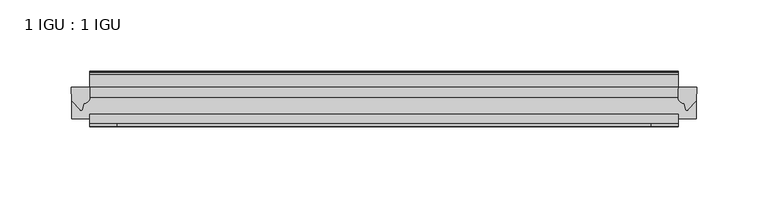
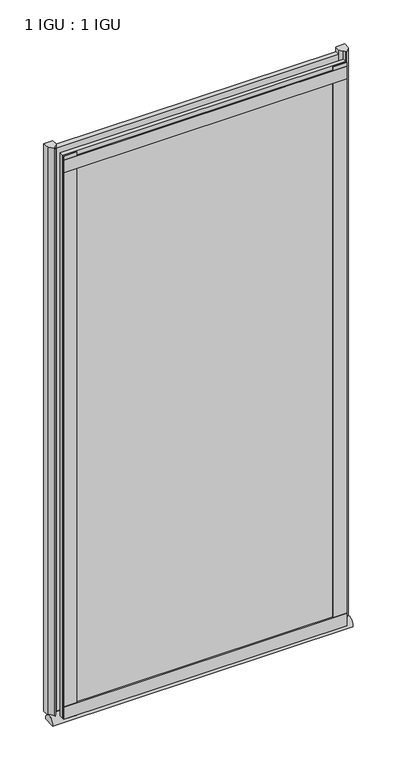
"""IFC4 building model written with IfcOpenShell, lengths in millimetres: plate geometry, 1 IGU : 1 IGU."""

from ifc_helpers import new_model, si_unit, point, frame, frame_2d, origin, place, context, project, spatial, polyline, circle_curve, ellipse_curve, trimmed, segment, composite_curve, outline, extrude, source, transform, mapped, element, save
from ifc_brep_helpers import plane_surface, extruded_surface, advanced_brep


def plate_1_igu_1_igu_62e715ea(model_context):
    return source(origin(), model_context, "Body", "SolidModel", [
        extrude(outline(polyline([(105.7513125, -11.6085937), (105.7513125, -18.8576359), (-307.959125, -18.8576359), (-307.959125, -11.6085937), (105.7513125, -11.6085937)])), frame((0.0, 0.0, -19.05), z_axis=(0.0, 0.0, 1.0), x_axis=(1.0, 0.0, 0.0)), (0.0, 0.0, 1.0), 869.9409101),
        extrude(outline(polyline([(-307.959125, -30.7093937), (105.7513125, -30.7093937), (105.7513125, -37.0085937), (-307.959125, -37.0085937), (-307.959125, -30.7093937)])), frame((0.0, 0.0, -19.05), z_axis=(0.0, 0.0, 1.0), x_axis=(1.0, 0.0, 0.0)), (0.0, 0.0, 1.0), 869.9409101),
        advanced_brep(
        [(118.4513125, -33.6472189, -28.575), (118.4513125, -14.9699686, -28.575), (-320.659125, -33.6472189, -28.575), (-320.659125, -14.9699686, -28.575)],
        [
            (0, 1),
            (1, 0, ellipse_curve(frame((118.4513125, -24.3085937, -28.575), z_axis=(1.0, 0.0, 0.0), x_axis=(0.0, 0.0, 1.0)), 10.6973372, 9.3386252)),
            (2, 3, ellipse_curve(frame((-320.659125, -24.3085937, -28.575), z_axis=(-1.0, 0.0, 0.0), x_axis=(0.0, 0.0, 1.0)), 10.6973372, 9.3386252)),
            (3, 2),
            (0, 2),
            (3, 1),
        ],
        [
            plane_surface(frame((118.4513125, -9.2273438, -28.575), z_axis=(1.0, 0.0, 0.0), x_axis=(0.0, 1.0, 0.0))),
            plane_surface(frame((-320.659125, -9.2273437, -28.575), z_axis=(-1.0, 0.0, 0.0), x_axis=(0.0, 1.0, 0.0))),
            plane_surface(frame((118.4513125, -33.6472189, -28.575), z_axis=(0.0, 0.0, -1.0), x_axis=(-1.0, 0.0, 0.0))),
            extruded_surface(trimmed(ellipse_curve(frame((-320.659125, -24.3085937, -28.575), z_axis=(1.0, 0.0, 0.0), x_axis=(0.0, 0.0, 1.0)), 10.6973372, 9.3386252), [point((-320.659125, -14.9699686, -28.575))], [point((-320.659125, -33.6472189, -28.575))], True, "CARTESIAN"), (439.1104375, 0.0, 0.0), 439.1104375),
        ],
        [
            (0, [[1, 2]]),
            (1, [[3, 4]]),
            (2, [[-1, 5, -4, 6]]),
            (3, [[-2, -6, -3, -5]]),
        ],
    ),
        extrude(outline(composite_curve([segment(polyline([(118.8292216, -11.6101465), (118.4513125, -21.3502133), (112.5132592, -27.6095865)]), True, "CONTINUOUS"), segment(trimmed(circle_curve(frame_2d((111.8404532, -27.2518492)), 0.762), [point((112.5132592, -27.6095865))], [point((111.1117489, -27.4746364))], False, "CARTESIAN"), True, "CONTINUOUS"), segment(polyline([(111.1117489, -27.4746364), (109.8499144, -23.3488397)]), True, "CONTINUOUS"), segment(trimmed(circle_curve(frame_2d((112.0318715, -16.3834724)), 7.2991286), [point((109.8499144, -23.3488397))], [point((105.7514911, -20.1028944))], False, "CARTESIAN"), True, "CONTINUOUS"), segment(polyline([(105.7514911, -20.1028944), (105.7514911, -12.664425)]), True, "CONTINUOUS"), segment(trimmed(circle_curve(frame_2d((112.0327456, -16.3827796)), 7.2993369), [point((105.7514911, -12.664425))], [point((106.5098575, -11.6101465))], False, "CARTESIAN"), True, "CONTINUOUS"), segment(polyline([(106.5098575, -11.6101465), (118.8292216, -11.6101465)]), True, "CONTINUOUS")], self_intersect=False)), frame((0.0, 0.0, -19.05), z_axis=(0.0, 0.0, 1.0), x_axis=(1.0, 0.0, 0.0)), (0.0, 0.0, 1.0), 877.0783101),
        extrude(outline(composite_curve([segment(polyline([(-307.959125, -11.610702), (-307.959125, -20.1014769)]), True, "CONTINUOUS"), segment(trimmed(circle_curve(frame_2d((-314.2403193, -16.3829847)), 7.2993552), [point((-307.959125, -20.1014769))], [point((-312.0580748, -23.3484994))], False, "CARTESIAN"), True, "CONTINUOUS"), segment(polyline([(-312.0580748, -23.3484994), (-313.3195614, -27.4746364)]), True, "CONTINUOUS"), segment(trimmed(circle_curve(frame_2d((-314.0482657, -27.2518492)), 0.762), [point((-313.3195614, -27.4746364))], [point((-314.7210717, -27.6095865))], False, "CARTESIAN"), True, "CONTINUOUS"), segment(polyline([(-314.7210717, -27.6095865), (-320.659125, -21.3502133), (-321.0370341, -11.610702), (-307.959125, -11.610702)]), True, "CONTINUOUS")], self_intersect=False)), frame((0.0, 0.0, -19.05), z_axis=(0.0, 0.0, 1.0), x_axis=(1.0, 0.0, 0.0)), (0.0, 0.0, 1.0), 877.0783101),
        extrude(outline(polyline([(-307.959125, -39.2945937), (-307.959125, -37.0085937), (105.7513125, -37.0085937), (105.7513125, -39.2945937), (-307.959125, -39.2945937)])), frame((0.0, 0.0, -19.05), z_axis=(0.0, 0.0, 1.0), x_axis=(1.0, 0.0, 0.0)), (0.0, 0.0, 1.0), 19.05),
        extrude(outline(composite_curve([segment(polyline([(-3.0995937, 840.8103314), (-3.0995937, 838.7783314), (-5.2585937, 838.7783314), (-5.2585937, 833.4443314), (-1.5755937, 833.4443314), (-1.5755937, 830.3963314), (-5.2585937, 830.3963314), (-5.2585937, 825.5703314), (-0.5298657, 826.2349108), (-0.4061408, 825.3545625)]), True, "CONTINUOUS"), segment(trimmed(circle_curve(frame_2d((-1.4122531, 825.2131626)), 1.016), [point((-0.4061408, 825.3545625))], [point((-1.2708533, 824.2070502))], False, "CARTESIAN"), True, "CONTINUOUS"), segment(polyline([(-1.2708533, 824.2070502), (-11.6085937, 822.7541756), (-11.6085937, 840.8103314), (-3.0995937, 840.8103314)]), True, "CONTINUOUS")], self_intersect=False)), frame((-307.959125, 0.0, 0.0), z_axis=(1.0, 0.0, 0.0), x_axis=(0.0, 1.0, 0.0)), (0.0, 0.0, 1.0), 413.7104375),
        extrude(outline(polyline([(-307.959125, -39.2945937), (-307.959125, -37.0085937), (105.7513125, -37.0085937), (105.7513125, -39.2945937), (-307.959125, -39.2945937)])), frame((0.0, 0.0, 825.4909101), z_axis=(0.0, 0.0, 1.0), x_axis=(1.0, 0.0, 0.0)), (0.0, 0.0, 1.0), 19.05),
        extrude(outline(polyline([(86.7013125, -37.0085937), (105.7513125, -37.0085937), (105.7513125, -39.2945938), (86.7013125, -39.2945938), (86.7013125, -37.0085937)])), frame((0.0, 0.0, -19.05), z_axis=(0.0, 0.0, 1.0), x_axis=(1.0, 0.0, 0.0)), (0.0, 0.0, 1.0), 869.9409101),
        extrude(outline(polyline([(-307.959125, -39.2945937), (-307.959125, -37.0085937), (-288.909125, -37.0085937), (-288.909125, -39.2945937), (-307.959125, -39.2945937)])), frame((0.0, 0.0, -19.05), z_axis=(0.0, 0.0, 1.0), x_axis=(1.0, 0.0, 0.0)), (0.0, 0.0, 1.0), 869.9409101),
    ])


if __name__ == "__main__":
    model = new_model("IFC4")
    model_context = context("Model", 3, world=origin())
    ifc_project = project(units=[si_unit("LENGTHUNIT", "METRE", prefix="MILLI")], contexts=[model_context])
    site = spatial("IfcSite", under=ifc_project)
    building = spatial("IfcBuilding", under=site)
    placement = place(None, origin())
    plate_1_igu_1_igu_shape = plate_1_igu_1_igu_62e715ea(model_context)
    element("IfcPlate", 1, ObjectType="1 IGU : 1 IGU", at=placement, inside=building, context=model_context, shape_type="MappedRepresentation", body=[
        mapped(plate_1_igu_1_igu_shape, transform((0.0, 0.0, 0.0), x_axis=(1.0, 0.0, 0.0), y_axis=(0.0, 1.0, 0.0), z_axis=(0.0, 0.0, 1.0))),
    ])
    save(model, "model.ifc")
